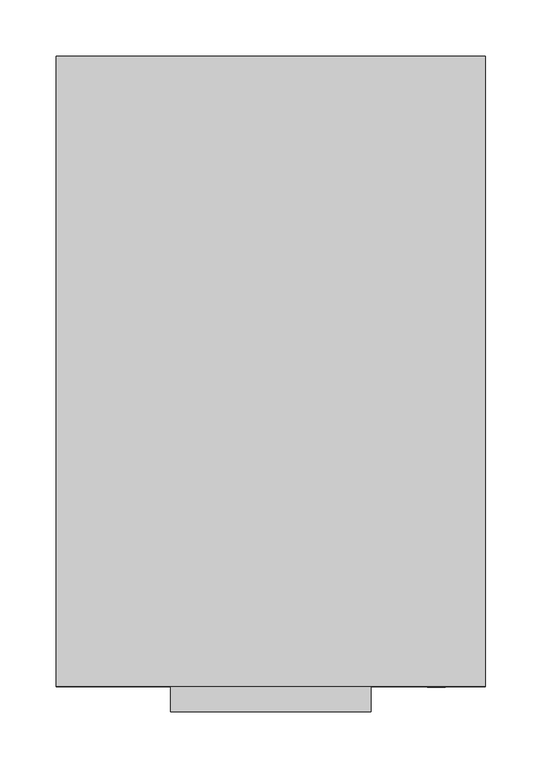
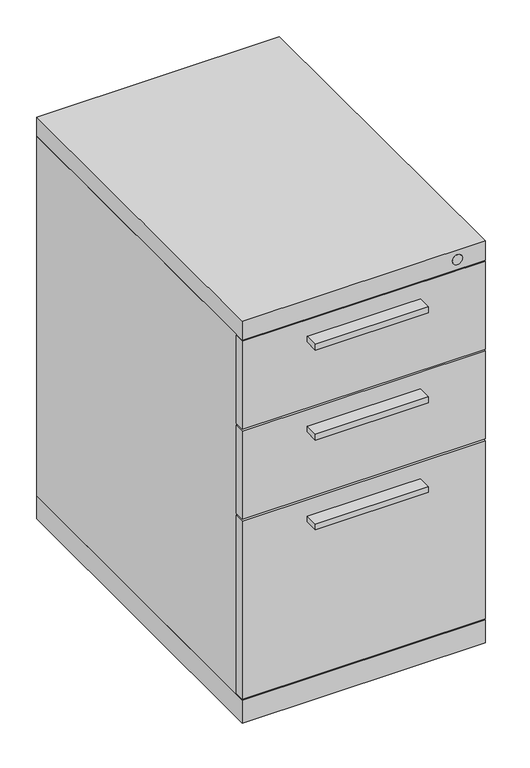
"""IFC4 building model written with IfcOpenShell, lengths in millimetres: furniture geometry."""

from ifc_helpers import new_model, si_unit, point, frame, frame_2d, origin, origin_with_axes, place, context, project, spatial, polyline, circle_curve, trimmed, segment, composite_curve, outline, extrude, source, transform, mapped, element, save


def furniture_aaebf90e(model_context):
    return source(origin(), model_context, "Body", "SweptSolid", [
        extrude(outline(polyline([(-190.5, -279.4), (-190.5, -262.7376), (190.5, -262.7376), (190.5, -279.4), (-190.5, -279.4)])), frame((0.0, 0.0, 39.6875), z_axis=(0.0, 0.0, 1.0), x_axis=(1.0, 0.0, 0.0)), (0.0, 0.0, 1.0), 295.275),
        extrude(outline(polyline([(-190.5, -279.4), (-190.5, -262.7376), (190.5, -262.7376), (190.5, -279.4), (-190.5, -279.4)])), frame((0.0, 0.0, 338.1375), z_axis=(0.0, 0.0, 1.0), x_axis=(1.0, 0.0, 0.0)), (0.0, 0.0, 1.0), 146.05),
        extrude(outline(polyline([(190.5, -262.7376), (190.5, -279.4), (-190.5, -279.4), (-190.5, -262.7376), (190.5, -262.7376)])), frame((0.0, 0.0, 487.3625), z_axis=(0.0, 0.0, 1.0), x_axis=(1.0, 0.0, 0.0)), (0.0, 0.0, 1.0), 146.05),
        extrude(outline(polyline([(190.5, 279.4), (190.5, -262.7376), (-190.5, -262.7376), (-190.5, 279.4), (190.5, 279.4)])), frame((0.0, 0.0, 38.1), z_axis=(0.0, 0.0, 1.0), x_axis=(1.0, 0.0, 0.0)), (0.0, 0.0, 1.0), 596.9),
        extrude(outline(polyline([(190.5, 279.4), (190.5, -279.4), (-190.5, -279.4), (-190.5, 279.4), (190.5, 279.4)])), frame((0.0, 0.0, 635.0), z_axis=(0.0, 0.0, 1.0), x_axis=(1.0, 0.0, 0.0)), (0.0, 0.0, 1.0), 31.75),
        extrude(outline(polyline([(190.5, 279.4), (190.5, -279.4), (-190.5, -279.4), (-190.5, 279.4), (190.5, 279.4)])), origin_with_axes(), (0.0, 0.0, 1.0), 38.1),
        extrude(outline(polyline([(-88.9, -279.4), (88.9, -279.4), (88.9, -301.625), (-88.9, -301.625), (-88.9, -279.4)])), frame((0.0, 0.0, 298.45), z_axis=(0.0, 0.0, 1.0), x_axis=(1.0, 0.0, 0.0)), (0.0, 0.0, 1.0), 9.525),
        extrude(outline(polyline([(-88.9, -279.4), (88.9, -279.4), (88.9, -301.625), (-88.9, -301.625), (-88.9, -279.4)])), frame((0.0, 0.0, 447.675), z_axis=(0.0, 0.0, 1.0), x_axis=(1.0, 0.0, 0.0)), (0.0, 0.0, 1.0), 9.525),
        extrude(outline(polyline([(-88.9, -279.4), (88.9, -279.4), (88.9, -301.625), (-88.9, -301.625), (-88.9, -279.4)])), frame((0.0, 0.0, 596.9), z_axis=(0.0, 0.0, 1.0), x_axis=(1.0, 0.0, 0.0)), (0.0, 0.0, 1.0), 9.525),
        extrude(outline(composite_curve([segment(trimmed(circle_curve(frame_2d((651.7005, 146.84248)), 8.001), [point((651.7005, 154.84348))], [point((651.7005, 138.84148))], False, "CARTESIAN"), True, "CONTINUOUS"), segment(trimmed(circle_curve(frame_2d((651.7005, 146.84248)), 8.001), [point((651.7005, 138.84148))], [point((651.7005, 154.84348))], False, "CARTESIAN"), True, "CONTINUOUS")], self_intersect=False)), frame((0.0, -280.19502, 0.0), z_axis=(0.0, 1.0, 0.0), x_axis=(0.0, 0.0, 1.0)), (0.0, 0.0, 1.0), 0.79502),
    ])


if __name__ == "__main__":
    model = new_model("IFC4")
    model_context = context("Model", 3, world=origin())
    ifc_project = project(units=[si_unit("LENGTHUNIT", "METRE", prefix="MILLI")], contexts=[model_context])
    site = spatial("IfcSite", under=ifc_project)
    building = spatial("IfcBuilding", under=site)
    placement = place(None, origin())
    furniture_shape = furniture_aaebf90e(model_context)
    element("IfcFurniture", 1, at=placement, inside=building, context=model_context, shape_type="MappedRepresentation", body=[
        mapped(furniture_shape, transform((0.0, 0.0, 0.0), x_axis=(1.0, 0.0, 0.0), y_axis=(0.0, 1.0, 0.0), z_axis=(0.0, 0.0, 1.0))),
    ])
    save(model, "model.ifc")
